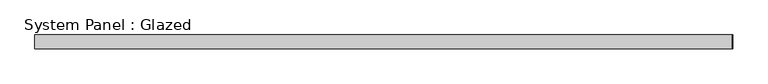
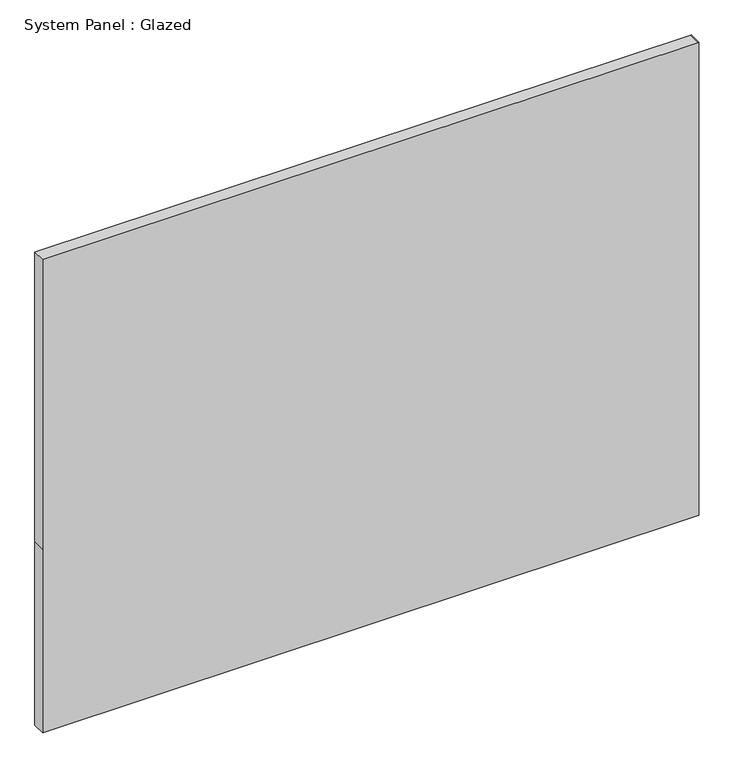
"""IFC4 building model written with IfcOpenShell, lengths in millimetres: plate geometry, System Panel : Glazed."""

from ifc_helpers import new_model, si_unit, frame, origin, place, context, project, spatial, polyline, outline, extrude, source, transform, mapped, element, save


def system_panel_glazed_0d9250b1(model_context):
    return source(origin(), model_context, "Body", "SweptSolid", [
        extrude(outline(polyline([(0.0, -622.7), (0.0, 621.9000003), (0.0, 622.7), (368.3, 622.7), (949.5465815, 622.7), (949.5465815, 621.9000003), (949.5465815, -622.7), (368.3, -622.7), (0.0, -622.7)])), frame((0.0, 24.5, 0.0), z_axis=(0.0, 1.0, 0.0), x_axis=(0.0, 0.0, 1.0)), (0.0, 0.0, 1.0), 25.0),
    ])


if __name__ == "__main__":
    model = new_model("IFC4")
    model_context = context("Model", 3, world=origin())
    ifc_project = project(units=[si_unit("LENGTHUNIT", "METRE", prefix="MILLI")], contexts=[model_context])
    site = spatial("IfcSite", under=ifc_project)
    building = spatial("IfcBuilding", under=site)
    placement = place(None, origin())
    system_panel_glazed_shape = system_panel_glazed_0d9250b1(model_context)
    element("IfcPlate", 1, ObjectType="System Panel : Glazed", at=placement, inside=building, context=model_context, shape_type="MappedRepresentation", body=[
        mapped(system_panel_glazed_shape, transform((0.0, 0.0, 0.0), x_axis=(1.0, 0.0, 0.0), y_axis=(0.0, 1.0, 0.0), z_axis=(0.0, 0.0, 1.0))),
    ])
    save(model, "model.ifc")
